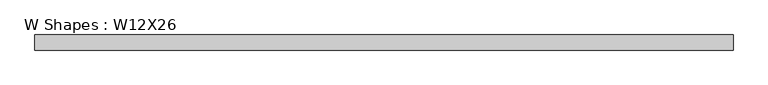
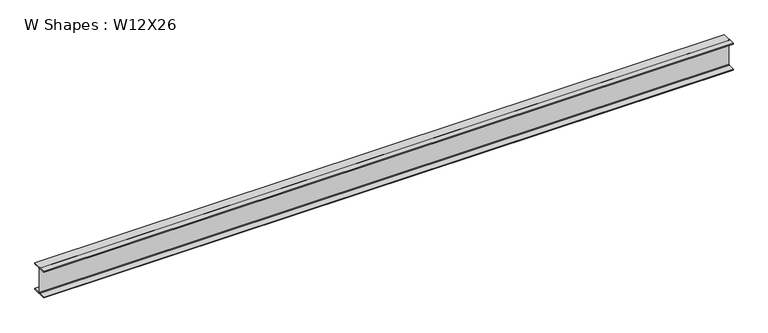
"""IFC4 building model written with IfcOpenShell, lengths in millimetres: beam geometry, W Shapes : W12X26."""

from ifc_helpers import new_model, si_unit, point, frame, frame_2d, origin, place, context, project, spatial, polyline, circle_curve, trimmed, segment, composite_curve, outline, extrude, source, transform, mapped, element, save


def w_shapes_w12x26_b350d091(model_context):
    return source(origin(), model_context, "Body", "SweptSolid", [
        extrude(outline(composite_curve([segment(polyline([(82.423, -145.288), (82.423, -154.94), (-82.423, -154.94), (-82.423, -145.288), (-10.541, -145.288)]), True, "CONTINUOUS"), segment(trimmed(circle_curve(frame_2d((-10.541, -137.668)), 7.62), [point((-10.541, -145.288))], [point((-2.921, -137.668))], True, "CARTESIAN"), True, "CONTINUOUS"), segment(polyline([(-2.921, -137.668), (-2.921, 137.668)]), True, "CONTINUOUS"), segment(trimmed(circle_curve(frame_2d((-10.541, 137.668)), 7.62), [point((-2.921, 137.668))], [point((-10.541, 145.288))], True, "CARTESIAN"), True, "CONTINUOUS"), segment(polyline([(-10.541, 145.288), (-82.423, 145.288), (-82.423, 154.94), (82.423, 154.94), (82.423, 145.288), (10.541, 145.288)]), True, "CONTINUOUS"), segment(trimmed(circle_curve(frame_2d((10.541, 137.668)), 7.62), [point((10.541, 145.288))], [point((2.921, 137.668))], True, "CARTESIAN"), True, "CONTINUOUS"), segment(polyline([(2.921, 137.668), (2.921, -137.668)]), True, "CONTINUOUS"), segment(trimmed(circle_curve(frame_2d((10.541, -137.668)), 7.62), [point((2.921, -137.668))], [point((10.541, -145.288))], True, "CARTESIAN"), True, "CONTINUOUS"), segment(polyline([(10.541, -145.288), (82.423, -145.288)]), True, "CONTINUOUS")], self_intersect=False)), frame((-3806.317, 0.0, 0.0), z_axis=(1.0, 0.0, 0.0), x_axis=(0.0, 1.0, 0.0)), (0.0, 0.0, 1.0), 7612.634),
    ])


if __name__ == "__main__":
    model = new_model("IFC4")
    model_context = context("Model", 3, world=origin())
    ifc_project = project(units=[si_unit("LENGTHUNIT", "METRE", prefix="MILLI")], contexts=[model_context])
    site = spatial("IfcSite", under=ifc_project)
    building = spatial("IfcBuilding", under=site)
    placement = place(None, origin())
    w_shapes_w12x26_shape = w_shapes_w12x26_b350d091(model_context)
    element("IfcBeam", 1, ObjectType="W Shapes : W12X26", at=placement, inside=building, context=model_context, shape_type="MappedRepresentation", body=[
        mapped(w_shapes_w12x26_shape, transform((0.0, 0.0, 0.0), x_axis=(1.0, 0.0, 0.0), y_axis=(0.0, 1.0, 0.0), z_axis=(0.0, 0.0, 1.0))),
    ])
    save(model, "model.ifc")
